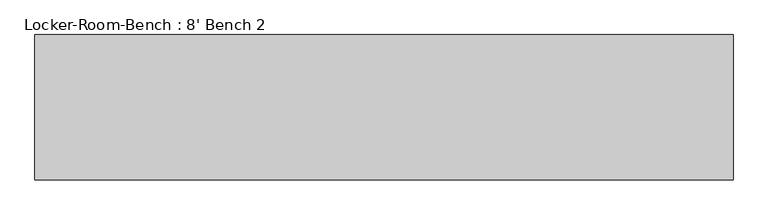
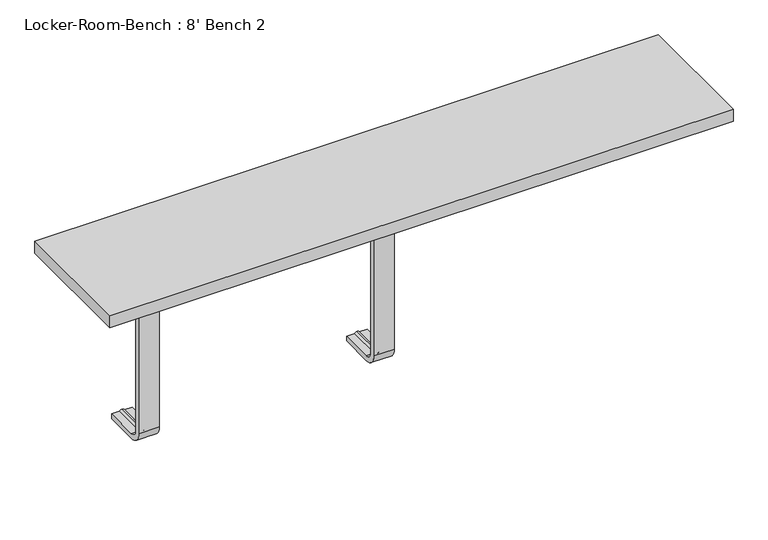
"""IFC4 building model written with IfcOpenShell, lengths in millimetres: proxy geometry, Locker-Room-Bench : 8' Bench 2."""

from ifc_helpers import new_model, si_unit, point, frame, origin, place, context, project, spatial, polyline, circle_curve, ellipse_curve, trimmed, outline, extrude, source, transform, mapped, element, save
from ifc_brep_helpers import plane_surface, cylinder_surface, revolved_surface, advanced_brep


def locker_room_bench_8_bench_2_68e361d2(model_context):
    return source(origin(), model_context, "Body", "SolidModel", [
        advanced_brep(
        [(-439.6, 92.0, 381.4), (-439.6, 92.0, 371.4), (-454.6, 92.0, 371.4), (-459.6, 92.0, 369.0684617), (-464.6, 92.0, 371.4), (-479.6, 92.0, 371.4), (-479.6, 92.0, 381.4), (-479.6, 25.0, 381.4), (-439.6, 25.0, 381.4), (-479.6, 25.0, 371.4), (-479.6, 10.0, 356.4), (-479.6, 10.0, 40.0), (-479.6, 25.0, 25.0), (-479.6, 92.0, 25.0), (-479.6, 92.0, 15.0), (-479.6, 25.0, 15.0), (-479.6, 0.0, 40.0), (-479.6, 0.0, 356.4), (-464.6, 25.0, 371.4), (-459.6, 25.0, 369.0684617), (-454.6, 25.0, 371.4), (-439.6, 25.0, 371.4), (-439.6, 0.0, 356.4), (-439.6, 0.0, 40.0), (-439.6, 25.0, 15.0), (-439.6, 92.0, 15.0), (-439.6, 92.0, 25.0), (-439.6, 25.0, 25.0), (-439.6, 10.0, 40.0), (-439.6, 10.0, 356.4), (-464.6, 10.0, 356.4), (-459.6, 12.3315383, 356.4), (-454.6, 10.0, 356.4), (-464.6, 10.0, 40.0), (-459.6, 12.3315383, 40.0), (-454.6, 10.0, 40.0), (-464.6, 25.0, 25.0), (-459.6, 25.0, 27.3315383), (-454.6, 25.0, 25.0), (-464.6, 92.0, 25.0), (-459.6, 92.0, 27.3315383), (-454.6, 92.0, 25.0)],
        [
            (0, 1),
            (1, 2),
            (2, 3, circle_curve(frame((-459.3003591, 92.0, 374.9529162), z_axis=(0.0, 1.0, 0.0), x_axis=(0.0, 0.0, 1.0)), 5.8920785)),
            (3, 4, circle_curve(frame((-459.8996409, 92.0, 374.9529162), z_axis=(0.0, 1.0, 0.0), x_axis=(0.0, 0.0, 1.0)), 5.8920785)),
            (4, 5),
            (5, 6),
            (6, 0),
            (6, 7),
            (7, 8),
            (8, 0),
            (5, 9),
            (9, 10, circle_curve(frame((-479.6, 25.0, 356.4), z_axis=(1.0, 0.0, 0.0), x_axis=(0.0, 0.0, 1.0)), 15.0)),
            (10, 11),
            (11, 12, circle_curve(frame((-479.6, 25.0, 40.0), z_axis=(1.0, 0.0, 0.0), x_axis=(0.0, -1.0, 0.0)), 15.0)),
            (12, 13),
            (13, 14),
            (14, 15),
            (15, 16, circle_curve(frame((-479.6, 25.0, 40.0), z_axis=(-1.0, 0.0, 0.0), x_axis=(0.0, -1.0, 0.0)), 25.0)),
            (16, 17),
            (17, 7, circle_curve(frame((-479.6, 25.0, 356.4), z_axis=(-1.0, 0.0, 0.0), x_axis=(0.0, 0.0, 1.0)), 25.0)),
            (4, 18),
            (18, 9),
            (3, 19),
            (19, 18, circle_curve(frame((-459.8996409, 25.0, 374.9529162), z_axis=(0.0, 1.0, 0.0), x_axis=(0.0, 0.0, 1.0)), 5.8920785)),
            (2, 20),
            (20, 19, circle_curve(frame((-459.3003591, 25.0, 374.9529162), z_axis=(0.0, 1.0, 0.0), x_axis=(0.0, 0.0, 1.0)), 5.8920785)),
            (1, 21),
            (21, 20),
            (8, 22, circle_curve(frame((-439.6, 25.0, 356.4), z_axis=(1.0, 0.0, 0.0), x_axis=(0.0, 0.0, 1.0)), 25.0)),
            (22, 23),
            (23, 24, circle_curve(frame((-439.6, 25.0, 40.0), z_axis=(1.0, 0.0, 0.0), x_axis=(0.0, -1.0, 0.0)), 25.0)),
            (24, 25),
            (25, 26),
            (26, 27),
            (27, 28, circle_curve(frame((-439.6, 25.0, 40.0), z_axis=(-1.0, 0.0, 0.0), x_axis=(0.0, -1.0, 0.0)), 15.0)),
            (28, 29),
            (29, 21, circle_curve(frame((-439.6, 25.0, 356.4), z_axis=(-1.0, 0.0, 0.0), x_axis=(0.0, 0.0, 1.0)), 15.0)),
            (17, 22),
            (30, 10),
            (18, 30, circle_curve(frame((-464.6, 25.0, 356.4), z_axis=(1.0, 0.0, 0.0), x_axis=(0.0, 0.0, 1.0)), 15.0)),
            (31, 30, circle_curve(frame((-459.8996409, 6.4470838, 356.4), z_axis=(0.0, 0.0, 1.0), x_axis=(0.0, -1.0, 0.0)), 5.8920785)),
            (19, 31, circle_curve(frame((-459.6, 25.0, 356.4), z_axis=(1.0, 0.0, 0.0), x_axis=(0.0, 0.0, 1.0)), 12.6684617)),
            (32, 31, circle_curve(frame((-459.3003591, 6.4470838, 356.4), z_axis=(0.0, 0.0, 1.0), x_axis=(0.0, -1.0, 0.0)), 5.8920785)),
            (20, 32, circle_curve(frame((-454.6, 25.0, 356.4), z_axis=(1.0, 0.0, 0.0), x_axis=(0.0, 0.0, 1.0)), 15.0)),
            (29, 32),
            (16, 23),
            (30, 33),
            (33, 11),
            (31, 34),
            (34, 33, circle_curve(frame((-459.8996409, 6.4470838, 40.0), z_axis=(0.0, 0.0, 1.0), x_axis=(0.0, -1.0, 0.0)), 5.8920785)),
            (32, 35),
            (35, 34, circle_curve(frame((-459.3003591, 6.4470838, 40.0), z_axis=(0.0, 0.0, 1.0), x_axis=(0.0, -1.0, 0.0)), 5.8920785)),
            (28, 35),
            (15, 24),
            (36, 12),
            (33, 36, circle_curve(frame((-464.6, 25.0, 40.0), z_axis=(1.0, 0.0, 0.0), x_axis=(0.0, -1.0, 0.0)), 15.0)),
            (37, 36, circle_curve(frame((-459.8996409, 25.0, 21.4470838), z_axis=(0.0, -1.0, 0.0), x_axis=(0.0, 0.0, -1.0)), 5.8920785)),
            (34, 37, circle_curve(frame((-459.6, 25.0, 40.0), z_axis=(1.0, 0.0, 0.0), x_axis=(0.0, -1.0, 0.0)), 12.6684617)),
            (38, 37, circle_curve(frame((-459.3003591, 25.0, 21.4470838), z_axis=(0.0, -1.0, 0.0), x_axis=(0.0, 0.0, -1.0)), 5.8920785)),
            (35, 38, circle_curve(frame((-454.6, 25.0, 40.0), z_axis=(1.0, 0.0, 0.0), x_axis=(0.0, -1.0, 0.0)), 15.0)),
            (27, 38),
            (25, 14),
            (13, 39),
            (39, 40, circle_curve(frame((-459.8996409, 92.0, 21.4470838), z_axis=(0.0, 1.0, 0.0), x_axis=(0.0, 0.0, -1.0)), 5.8920785)),
            (40, 41, circle_curve(frame((-459.3003591, 92.0, 21.4470838), z_axis=(0.0, 1.0, 0.0), x_axis=(0.0, 0.0, -1.0)), 5.8920785)),
            (41, 26),
            (36, 39),
            (37, 40),
            (38, 41),
        ],
        [
            plane_surface(frame((-459.6, 92.0, 381.4), z_axis=(0.0, 1.0, 0.0), x_axis=(1.0, 0.0, 0.0))),
            plane_surface(frame((-439.6, 92.0, 381.4), z_axis=(0.0, 0.0, 1.0), x_axis=(0.0, -1.0, 0.0))),
            plane_surface(frame((-479.6, 92.0, 381.4), z_axis=(-1.0, 0.0, 0.0), x_axis=(0.0, -1.0, 0.0))),
            plane_surface(frame((-479.6, 92.0, 371.4), z_axis=(0.0, 0.0, -1.0), x_axis=(0.0, -1.0, 0.0))),
            cylinder_surface(frame((-459.8996409, 92.0, 374.9529162), z_axis=(0.0, 1.0, 0.0), x_axis=(0.0, 0.0, 1.0)), 5.8920785),
            cylinder_surface(frame((-459.3003591, 92.0, 374.9529162), z_axis=(0.0, 1.0, 0.0), x_axis=(0.0, 0.0, 1.0)), 5.8920785),
            plane_surface(frame((-454.6, 92.0, 371.4), z_axis=(0.0, 0.0, -1.0), x_axis=(0.0, -1.0, 0.0))),
            plane_surface(frame((-439.6, 92.0, 371.4), z_axis=(1.0, 0.0, 0.0), x_axis=(0.0, -1.0, 0.0))),
            cylinder_surface(frame((-459.6, 25.0, 356.4), z_axis=(-1.0, 0.0, 0.0), x_axis=(0.0, 0.0, 1.0)), 25.0),
            revolved_surface(polyline([(-479.6, 25.0, 371.4), (-464.6, 25.0, 371.4)]), (-459.6, 25.0, 356.4), (-1.0, 0.0, 0.0)),
            revolved_surface(trimmed(ellipse_curve(frame((-459.8996409, 25.0, 374.9529162), z_axis=(0.0, -1.0, 0.0), x_axis=(0.0, 0.0, 1.0)), 5.8920785, 5.8920785), [point((-464.6, 25.0, 371.4))], [point((-459.6, 25.0, 369.0684617))], True, "CARTESIAN"), (-459.6, 25.0, 356.4), (-1.0, 0.0, 0.0)),
            revolved_surface(trimmed(ellipse_curve(frame((-459.3003591, 25.0, 374.9529162), z_axis=(0.0, -1.0, 0.0), x_axis=(0.0, 0.0, 1.0)), 5.8920785, 5.8920785), [point((-459.6, 25.0, 369.0684617))], [point((-454.6, 25.0, 371.4))], True, "CARTESIAN"), (-459.6, 25.0, 356.4), (-1.0, 0.0, 0.0)),
            revolved_surface(polyline([(-454.6, 25.0, 371.4), (-439.6, 25.0, 371.4)]), (-459.6, 25.0, 356.4), (-1.0, 0.0, 0.0)),
            plane_surface(frame((-439.6, 0.0, 356.4), z_axis=(0.0, -1.0, 0.0), x_axis=(0.0, 0.0, -1.0))),
            plane_surface(frame((-479.6, 10.0, 356.4), z_axis=(0.0, 1.0, 0.0), x_axis=(0.0, 0.0, -1.0))),
            cylinder_surface(frame((-459.8996409, 6.4470838, 356.4), z_axis=(0.0, 0.0, 1.0), x_axis=(0.0, -1.0, 0.0)), 5.8920785),
            cylinder_surface(frame((-459.3003591, 6.4470838, 356.4), z_axis=(0.0, 0.0, 1.0), x_axis=(0.0, -1.0, 0.0)), 5.8920785),
            plane_surface(frame((-454.6, 10.0, 356.4), z_axis=(0.0, 1.0, 0.0), x_axis=(0.0, 0.0, -1.0))),
            cylinder_surface(frame((-459.6, 25.0, 40.0), z_axis=(-1.0, 0.0, 0.0), x_axis=(0.0, -1.0, 0.0)), 25.0),
            revolved_surface(polyline([(-479.6, 10.0, 40.0), (-464.6, 10.0, 40.0)]), (-459.6, 25.0, 40.0), (-1.0, 0.0, 0.0)),
            revolved_surface(trimmed(ellipse_curve(frame((-459.8996409, 6.4470838, 40.0), z_axis=(0.0, 0.0, -1.0), x_axis=(0.0, -1.0, 0.0)), 5.8920785, 5.8920785), [point((-464.6, 10.0, 40.0))], [point((-459.6, 12.3315383, 40.0))], True, "CARTESIAN"), (-459.6, 25.0, 40.0), (-1.0, 0.0, 0.0)),
            revolved_surface(trimmed(ellipse_curve(frame((-459.3003591, 6.4470838, 40.0), z_axis=(0.0, 0.0, -1.0), x_axis=(0.0, -1.0, 0.0)), 5.8920785, 5.8920785), [point((-459.6, 12.3315383, 40.0))], [point((-454.6, 10.0, 40.0))], True, "CARTESIAN"), (-459.6, 25.0, 40.0), (-1.0, 0.0, 0.0)),
            revolved_surface(polyline([(-454.6, 10.0, 40.0), (-439.6, 10.0, 40.0)]), (-459.6, 25.0, 40.0), (-1.0, 0.0, 0.0)),
            plane_surface(frame((-459.6, 92.0, 15.0), z_axis=(0.0, 1.0, 0.0), x_axis=(1.0, 0.0, 0.0))),
            plane_surface(frame((-439.6, 25.0, 15.0), z_axis=(0.0, 0.0, -1.0), x_axis=(0.0, 1.0, 0.0))),
            plane_surface(frame((-479.6, 25.0, 25.0), z_axis=(0.0, 0.0, 1.0), x_axis=(0.0, 1.0, 0.0))),
            cylinder_surface(frame((-459.8996409, 25.0, 21.4470838), z_axis=(0.0, -1.0, 0.0), x_axis=(0.0, 0.0, -1.0)), 5.8920785),
            cylinder_surface(frame((-459.3003591, 25.0, 21.4470838), z_axis=(0.0, -1.0, 0.0), x_axis=(0.0, 0.0, -1.0)), 5.8920785),
            plane_surface(frame((-454.6, 25.0, 25.0), z_axis=(0.0, 0.0, 1.0), x_axis=(0.0, 1.0, 0.0))),
        ],
        [
            (0, [[1, 2, 3, 4, 5, 6, 7]]),
            (1, [[8, 9, 10, -7]]),
            (2, [[11, 12, 13, 14, 15, 16, 17, 18, 19, 20, -8, -6]]),
            (3, [[21, 22, -11, -5]]),
            (4, [[23, 24, -21, -4]]),
            (5, [[25, 26, -23, -3]]),
            (6, [[27, 28, -25, -2]]),
            (7, [[-10, 29, 30, 31, 32, 33, 34, 35, 36, 37, -27, -1]]),
            (8, [[38, -29, -9, -20]]),
            (9, [[39, -12, -22, 40]]),
            (10, [[41, -40, -24, 42]]),
            (11, [[43, -42, -26, 44]]),
            (12, [[45, -44, -28, -37]]),
            (13, [[-19, 46, -30, -38]]),
            (14, [[47, 48, -13, -39]]),
            (15, [[49, 50, -47, -41]]),
            (16, [[51, 52, -49, -43]]),
            (17, [[-36, 53, -51, -45]]),
            (18, [[54, -31, -46, -18]]),
            (19, [[55, -14, -48, 56]]),
            (20, [[57, -56, -50, 58]]),
            (21, [[59, -58, -52, 60]]),
            (22, [[61, -60, -53, -35]]),
            (23, [[62, -16, 63, 64, 65, 66, -33]]),
            (24, [[-17, -62, -32, -54]]),
            (25, [[67, -63, -15, -55]]),
            (26, [[68, -64, -67, -57]]),
            (27, [[69, -65, -68, -59]]),
            (28, [[-34, -66, -69, -61]]),
        ],
    ),
        advanced_brep(
        [(20.0, 92.0, 381.4), (20.0, 92.0, 371.4), (5.0, 92.0, 371.4), (0.0, 92.0, 369.0684617), (-5.0, 92.0, 371.4), (-20.0, 92.0, 371.4), (-20.0, 92.0, 381.4), (-20.0, 25.0, 381.4), (20.0, 25.0, 381.4), (-20.0, 25.0, 371.4), (-20.0, 10.0, 356.4), (-20.0, 10.0, 40.0), (-20.0, 25.0, 25.0), (-20.0, 92.0, 25.0), (-20.0, 92.0, 15.0), (-20.0, 25.0, 15.0), (-20.0, 0.0, 40.0), (-20.0, 0.0, 356.4), (-5.0, 25.0, 371.4), (0.0, 25.0, 369.0684617), (5.0, 25.0, 371.4), (20.0, 25.0, 371.4), (20.0, 0.0, 356.4), (20.0, 0.0, 40.0), (20.0, 25.0, 15.0), (20.0, 92.0, 15.0), (20.0, 92.0, 25.0), (20.0, 25.0, 25.0), (20.0, 10.0, 40.0), (20.0, 10.0, 356.4), (-5.0, 10.0, 356.4), (0.0, 12.3315383, 356.4), (5.0, 10.0, 356.4), (-5.0, 10.0, 40.0), (0.0, 12.3315383, 40.0), (5.0, 10.0, 40.0), (-5.0, 25.0, 25.0), (0.0, 25.0, 27.3315383), (5.0, 25.0, 25.0), (-5.0, 92.0, 25.0), (0.0, 92.0, 27.3315383), (5.0, 92.0, 25.0)],
        [
            (0, 1),
            (1, 2),
            (2, 3, circle_curve(frame((0.2996409, 92.0, 374.9529162), z_axis=(0.0, 1.0, 0.0), x_axis=(0.0, 0.0, 1.0)), 5.8920785)),
            (3, 4, circle_curve(frame((-0.2996409, 92.0, 374.9529162), z_axis=(0.0, 1.0, 0.0), x_axis=(0.0, 0.0, 1.0)), 5.8920785)),
            (4, 5),
            (5, 6),
            (6, 0),
            (6, 7),
            (7, 8),
            (8, 0),
            (5, 9),
            (9, 10, circle_curve(frame((-20.0, 25.0, 356.4), z_axis=(1.0, 0.0, 0.0), x_axis=(0.0, 0.0, 1.0)), 15.0)),
            (10, 11),
            (11, 12, circle_curve(frame((-20.0, 25.0, 40.0), z_axis=(1.0, 0.0, 0.0), x_axis=(0.0, -1.0, 0.0)), 15.0)),
            (12, 13),
            (13, 14),
            (14, 15),
            (15, 16, circle_curve(frame((-20.0, 25.0, 40.0), z_axis=(-1.0, 0.0, 0.0), x_axis=(0.0, -1.0, 0.0)), 25.0)),
            (16, 17),
            (17, 7, circle_curve(frame((-20.0, 25.0, 356.4), z_axis=(-1.0, 0.0, 0.0), x_axis=(0.0, 0.0, 1.0)), 25.0)),
            (4, 18),
            (18, 9),
            (3, 19),
            (19, 18, circle_curve(frame((-0.2996409, 25.0, 374.9529162), z_axis=(0.0, 1.0, 0.0), x_axis=(0.0, 0.0, 1.0)), 5.8920785)),
            (2, 20),
            (20, 19, circle_curve(frame((0.2996409, 25.0, 374.9529162), z_axis=(0.0, 1.0, 0.0), x_axis=(0.0, 0.0, 1.0)), 5.8920785)),
            (1, 21),
            (21, 20),
            (8, 22, circle_curve(frame((20.0, 25.0, 356.4), z_axis=(1.0, 0.0, 0.0), x_axis=(0.0, 0.0, 1.0)), 25.0)),
            (22, 23),
            (23, 24, circle_curve(frame((20.0, 25.0, 40.0), z_axis=(1.0, 0.0, 0.0), x_axis=(0.0, -1.0, 0.0)), 25.0)),
            (24, 25),
            (25, 26),
            (26, 27),
            (27, 28, circle_curve(frame((20.0, 25.0, 40.0), z_axis=(-1.0, 0.0, 0.0), x_axis=(0.0, -1.0, 0.0)), 15.0)),
            (28, 29),
            (29, 21, circle_curve(frame((20.0, 25.0, 356.4), z_axis=(-1.0, 0.0, 0.0), x_axis=(0.0, 0.0, 1.0)), 15.0)),
            (17, 22),
            (30, 10),
            (18, 30, circle_curve(frame((-5.0, 25.0, 356.4), z_axis=(1.0, 0.0, 0.0), x_axis=(0.0, 0.0, 1.0)), 15.0)),
            (31, 30, circle_curve(frame((-0.2996409, 6.4470838, 356.4), z_axis=(0.0, 0.0, 1.0), x_axis=(0.0, -1.0, 0.0)), 5.8920785)),
            (19, 31, circle_curve(frame((0.0, 25.0, 356.4), z_axis=(1.0, 0.0, 0.0), x_axis=(0.0, 0.0, 1.0)), 12.6684617)),
            (32, 31, circle_curve(frame((0.2996409, 6.4470838, 356.4), z_axis=(0.0, 0.0, 1.0), x_axis=(0.0, -1.0, 0.0)), 5.8920785)),
            (20, 32, circle_curve(frame((5.0, 25.0, 356.4), z_axis=(1.0, 0.0, 0.0), x_axis=(0.0, 0.0, 1.0)), 15.0)),
            (29, 32),
            (16, 23),
            (30, 33),
            (33, 11),
            (31, 34),
            (34, 33, circle_curve(frame((-0.2996409, 6.4470838, 40.0), z_axis=(0.0, 0.0, 1.0), x_axis=(0.0, -1.0, 0.0)), 5.8920785)),
            (32, 35),
            (35, 34, circle_curve(frame((0.2996409, 6.4470838, 40.0), z_axis=(0.0, 0.0, 1.0), x_axis=(0.0, -1.0, 0.0)), 5.8920785)),
            (28, 35),
            (15, 24),
            (36, 12),
            (33, 36, circle_curve(frame((-5.0, 25.0, 40.0), z_axis=(1.0, 0.0, 0.0), x_axis=(0.0, -1.0, 0.0)), 15.0)),
            (37, 36, circle_curve(frame((-0.2996409, 25.0, 21.4470838), z_axis=(0.0, -1.0, 0.0), x_axis=(0.0, 0.0, -1.0)), 5.8920785)),
            (34, 37, circle_curve(frame((0.0, 25.0, 40.0), z_axis=(1.0, 0.0, 0.0), x_axis=(0.0, -1.0, 0.0)), 12.6684617)),
            (38, 37, circle_curve(frame((0.2996409, 25.0, 21.4470838), z_axis=(0.0, -1.0, 0.0), x_axis=(0.0, 0.0, -1.0)), 5.8920785)),
            (35, 38, circle_curve(frame((5.0, 25.0, 40.0), z_axis=(1.0, 0.0, 0.0), x_axis=(0.0, -1.0, 0.0)), 15.0)),
            (27, 38),
            (25, 14),
            (13, 39),
            (39, 40, circle_curve(frame((-0.2996409, 92.0, 21.4470838), z_axis=(0.0, 1.0, 0.0), x_axis=(0.0, 0.0, -1.0)), 5.8920785)),
            (40, 41, circle_curve(frame((0.2996409, 92.0, 21.4470838), z_axis=(0.0, 1.0, 0.0), x_axis=(0.0, 0.0, -1.0)), 5.8920785)),
            (41, 26),
            (36, 39),
            (37, 40),
            (38, 41),
        ],
        [
            plane_surface(frame((0.0, 92.0, 381.4), z_axis=(0.0, 1.0, 0.0), x_axis=(1.0, 0.0, 0.0))),
            plane_surface(frame((20.0, 92.0, 381.4), z_axis=(0.0, 0.0, 1.0), x_axis=(0.0, -1.0, 0.0))),
            plane_surface(frame((-20.0, 92.0, 381.4), z_axis=(-1.0, 0.0, 0.0), x_axis=(0.0, -1.0, 0.0))),
            plane_surface(frame((-20.0, 92.0, 371.4), z_axis=(0.0, 0.0, -1.0), x_axis=(0.0, -1.0, 0.0))),
            cylinder_surface(frame((-0.2996409, 92.0, 374.9529162), z_axis=(0.0, 1.0, 0.0), x_axis=(0.0, 0.0, 1.0)), 5.8920785),
            cylinder_surface(frame((0.2996409, 92.0, 374.9529162), z_axis=(0.0, 1.0, 0.0), x_axis=(0.0, 0.0, 1.0)), 5.8920785),
            plane_surface(frame((5.0, 92.0, 371.4), z_axis=(0.0, 0.0, -1.0), x_axis=(0.0, -1.0, 0.0))),
            plane_surface(frame((20.0, 92.0, 371.4), z_axis=(1.0, 0.0, 0.0), x_axis=(0.0, -1.0, 0.0))),
            cylinder_surface(frame((0.0, 25.0, 356.4), z_axis=(-1.0, 0.0, 0.0), x_axis=(0.0, 0.0, 1.0)), 25.0),
            revolved_surface(polyline([(-20.0, 25.0, 371.4), (-5.0, 25.0, 371.4)]), (0.0, 25.0, 356.4), (-1.0, 0.0, 0.0)),
            revolved_surface(trimmed(ellipse_curve(frame((-0.2996409, 25.0, 374.9529162), z_axis=(0.0, -1.0, 0.0), x_axis=(0.0, 0.0, 1.0)), 5.8920785, 5.8920785), [point((-5.0, 25.0, 371.4))], [point((0.0, 25.0, 369.0684617))], True, "CARTESIAN"), (0.0, 25.0, 356.4), (-1.0, 0.0, 0.0)),
            revolved_surface(trimmed(ellipse_curve(frame((0.2996409, 25.0, 374.9529162), z_axis=(0.0, -1.0, 0.0), x_axis=(0.0, 0.0, 1.0)), 5.8920785, 5.8920785), [point((0.0, 25.0, 369.0684617))], [point((5.0, 25.0, 371.4))], True, "CARTESIAN"), (0.0, 25.0, 356.4), (-1.0, 0.0, 0.0)),
            revolved_surface(polyline([(5.0, 25.0, 371.4), (20.0, 25.0, 371.4)]), (0.0, 25.0, 356.4), (-1.0, 0.0, 0.0)),
            plane_surface(frame((20.0, 0.0, 356.4), z_axis=(0.0, -1.0, 0.0), x_axis=(0.0, 0.0, -1.0))),
            plane_surface(frame((-20.0, 10.0, 356.4), z_axis=(0.0, 1.0, 0.0), x_axis=(0.0, 0.0, -1.0))),
            cylinder_surface(frame((-0.2996409, 6.4470838, 356.4), z_axis=(0.0, 0.0, 1.0), x_axis=(0.0, -1.0, 0.0)), 5.8920785),
            cylinder_surface(frame((0.2996409, 6.4470838, 356.4), z_axis=(0.0, 0.0, 1.0), x_axis=(0.0, -1.0, 0.0)), 5.8920785),
            plane_surface(frame((5.0, 10.0, 356.4), z_axis=(0.0, 1.0, 0.0), x_axis=(0.0, 0.0, -1.0))),
            cylinder_surface(frame((0.0, 25.0, 40.0), z_axis=(-1.0, 0.0, 0.0), x_axis=(0.0, -1.0, 0.0)), 25.0),
            revolved_surface(polyline([(-20.0, 10.0, 40.0), (-5.0, 10.0, 40.0)]), (0.0, 25.0, 40.0), (-1.0, 0.0, 0.0)),
            revolved_surface(trimmed(ellipse_curve(frame((-0.2996409, 6.4470838, 40.0), z_axis=(0.0, 0.0, -1.0), x_axis=(0.0, -1.0, 0.0)), 5.8920785, 5.8920785), [point((-5.0, 10.0, 40.0))], [point((0.0, 12.3315383, 40.0))], True, "CARTESIAN"), (0.0, 25.0, 40.0), (-1.0, 0.0, 0.0)),
            revolved_surface(trimmed(ellipse_curve(frame((0.2996409, 6.4470838, 40.0), z_axis=(0.0, 0.0, -1.0), x_axis=(0.0, -1.0, 0.0)), 5.8920785, 5.8920785), [point((0.0, 12.3315383, 40.0))], [point((5.0, 10.0, 40.0))], True, "CARTESIAN"), (0.0, 25.0, 40.0), (-1.0, 0.0, 0.0)),
            revolved_surface(polyline([(5.0, 10.0, 40.0), (20.0, 10.0, 40.0)]), (0.0, 25.0, 40.0), (-1.0, 0.0, 0.0)),
            plane_surface(frame((0.0, 92.0, 15.0), z_axis=(0.0, 1.0, 0.0), x_axis=(1.0, 0.0, 0.0))),
            plane_surface(frame((20.0, 25.0, 15.0), z_axis=(0.0, 0.0, -1.0), x_axis=(0.0, 1.0, 0.0))),
            plane_surface(frame((-20.0, 25.0, 25.0), z_axis=(0.0, 0.0, 1.0), x_axis=(0.0, 1.0, 0.0))),
            cylinder_surface(frame((-0.2996409, 25.0, 21.4470838), z_axis=(0.0, -1.0, 0.0), x_axis=(0.0, 0.0, -1.0)), 5.8920785),
            cylinder_surface(frame((0.2996409, 25.0, 21.4470838), z_axis=(0.0, -1.0, 0.0), x_axis=(0.0, 0.0, -1.0)), 5.8920785),
            plane_surface(frame((5.0, 25.0, 25.0), z_axis=(0.0, 0.0, 1.0), x_axis=(0.0, 1.0, 0.0))),
        ],
        [
            (0, [[1, 2, 3, 4, 5, 6, 7]]),
            (1, [[8, 9, 10, -7]]),
            (2, [[11, 12, 13, 14, 15, 16, 17, 18, 19, 20, -8, -6]]),
            (3, [[21, 22, -11, -5]]),
            (4, [[23, 24, -21, -4]]),
            (5, [[25, 26, -23, -3]]),
            (6, [[27, 28, -25, -2]]),
            (7, [[-10, 29, 30, 31, 32, 33, 34, 35, 36, 37, -27, -1]]),
            (8, [[38, -29, -9, -20]]),
            (9, [[39, -12, -22, 40]]),
            (10, [[41, -40, -24, 42]]),
            (11, [[43, -42, -26, 44]]),
            (12, [[45, -44, -28, -37]]),
            (13, [[-19, 46, -30, -38]]),
            (14, [[47, 48, -13, -39]]),
            (15, [[49, 50, -47, -41]]),
            (16, [[51, 52, -49, -43]]),
            (17, [[-36, 53, -51, -45]]),
            (18, [[54, -31, -46, -18]]),
            (19, [[55, -14, -48, 56]]),
            (20, [[57, -56, -50, 58]]),
            (21, [[59, -58, -52, 60]]),
            (22, [[61, -60, -53, -35]]),
            (23, [[62, -16, 63, 64, 65, 66, -33]]),
            (24, [[-17, -62, -32, -54]]),
            (25, [[67, -63, -15, -55]]),
            (26, [[68, -64, -67, -57]]),
            (27, [[69, -65, -68, -59]]),
            (28, [[-34, -66, -69, -61]]),
        ],
    ),
        extrude(outline(polyline([(609.6, -127.0), (-609.6, -127.0), (-609.6, 127.0), (609.6, 127.0), (609.6, -127.0)])), frame((0.0, 0.0, 381.4), z_axis=(0.0, 0.0, 1.0), x_axis=(1.0, 0.0, 0.0)), (0.0, 0.0, 1.0), 25.0),
    ])


if __name__ == "__main__":
    model = new_model("IFC4")
    model_context = context("Model", 3, world=origin())
    ifc_project = project(units=[si_unit("LENGTHUNIT", "METRE", prefix="MILLI")], contexts=[model_context])
    site = spatial("IfcSite", under=ifc_project)
    building = spatial("IfcBuilding", under=site)
    placement = place(None, origin())
    locker_room_bench_8_bench_2_shape = locker_room_bench_8_bench_2_68e361d2(model_context)
    element("IfcBuildingElementProxy", 1, Name="Locker-Room-Bench : 8' Bench 2", ObjectType="Locker-Room-Bench : 8' Bench 2", at=placement, inside=building, context=model_context, shape_type="MappedRepresentation", body=[
        mapped(locker_room_bench_8_bench_2_shape, transform((0.0, 0.0, 0.0), x_axis=(1.0, 0.0, 0.0), y_axis=(0.0, 1.0, 0.0), z_axis=(0.0, 0.0, 1.0))),
    ])
    save(model, "model.ifc")
